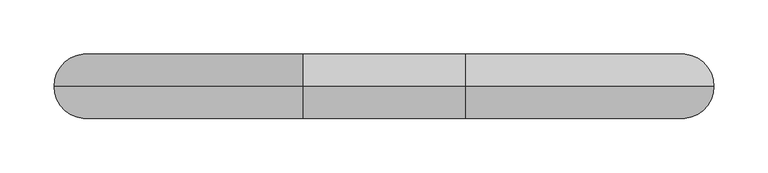
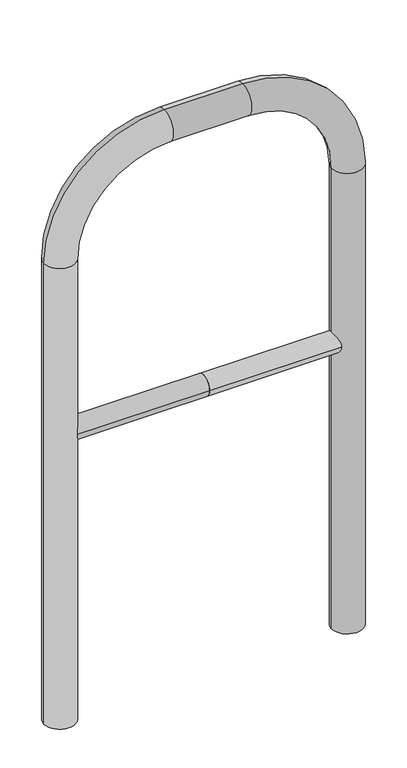
"""IFC4 building model written with IfcOpenShell, lengths in millimetres: proxy geometry."""

from ifc_helpers import new_model, si_unit, point, frame, frame_2d, origin, place, context, project, spatial, circle_curve, ellipse_curve, trimmed, segment, composite_curve, outline, extrude, source, transform, mapped, element, save
from ifc_brep_helpers import plane_surface, cylinder_surface, revolved_surface, advanced_brep


def generic_models_6b1e03ed(model_context):
    return source(origin(), model_context, "Body", "SolidModel", [
        extrude(outline(composite_curve([segment(trimmed(circle_curve(frame_2d((0.0, 498.4778375)), 20.0), [point((-20.0, 498.4778375))], [point((20.0, 498.4778375))], False, "CARTESIAN"), True, "CONTINUOUS"), segment(trimmed(circle_curve(frame_2d((0.0, 498.4778375)), 20.0), [point((20.0, 498.4778375))], [point((-20.0, 498.4778375))], False, "CARTESIAN"), True, "CONTINUOUS")], self_intersect=False)), frame((-275.0, 0.0, 0.0), z_axis=(1.0, 0.0, 0.0), x_axis=(0.0, 1.0, 0.0)), (0.0, 0.0, 1.0), 275.0),
        extrude(outline(composite_curve([segment(trimmed(circle_curve(frame_2d((0.0, 498.4778375)), 20.0), [point((-20.0, 498.4778375))], [point((20.0, 498.4778375))], False, "CARTESIAN"), True, "CONTINUOUS"), segment(trimmed(circle_curve(frame_2d((0.0, 498.4778375)), 20.0), [point((20.0, 498.4778375))], [point((-20.0, 498.4778375))], False, "CARTESIAN"), True, "CONTINUOUS")], self_intersect=False)), frame((0.0, 0.0, 0.0), z_axis=(1.0, 0.0, 0.0), x_axis=(0.0, 1.0, 0.0)), (0.0, 0.0, 1.0), 275.0),
        advanced_brep(
        [(-245.0, 0.0, -80.0), (-305.0, 0.0, -80.0), (-245.0, 0.0, 850.0), (-305.0, 0.0, 850.0), (-75.0, 0.0, 1080.0), (-75.0, 0.0, 1020.0), (75.0, 0.0, 1020.0), (75.0, 0.0, 1080.0), (305.0, 0.0, 850.0), (245.0, 0.0, 850.0), (245.0, 0.0, -80.0), (305.0, 0.0, -80.0)],
        [
            (0, 1, circle_curve(frame((-275.0, 0.0, -80.0), z_axis=(0.0, 0.0, -1.0), x_axis=(-1.0, 0.0, 0.0)), 30.0)),
            (1, 0, circle_curve(frame((-275.0, 0.0, -80.0), z_axis=(0.0, 0.0, -1.0), x_axis=(-1.0, 0.0, 0.0)), 30.0)),
            (0, 2),
            (2, 3, circle_curve(frame((-275.0, 0.0, 850.0), z_axis=(0.0, 0.0, -1.0), x_axis=(-1.0, 0.0, 0.0)), 30.0)),
            (3, 1),
            (3, 2, circle_curve(frame((-275.0, 0.0, 850.0), z_axis=(0.0, 0.0, -1.0), x_axis=(-1.0, 0.0, 0.0)), 30.0)),
            (4, 3, circle_curve(frame((-75.0, 0.0, 850.0), z_axis=(0.0, -1.0, 0.0), x_axis=(-1.0, 0.0, 0.0)), 230.0)),
            (2, 5, circle_curve(frame((-75.0, 0.0, 850.0), z_axis=(0.0, 1.0, 0.0), x_axis=(-1.0, 0.0, 0.0)), 170.0)),
            (5, 4, circle_curve(frame((-75.0, 0.0, 1050.0), z_axis=(-1.0, 0.0, 0.0), x_axis=(0.0, 0.0, 1.0)), 30.0)),
            (4, 5, circle_curve(frame((-75.0, 0.0, 1050.0), z_axis=(-1.0, 0.0, 0.0), x_axis=(0.0, 0.0, 1.0)), 30.0)),
            (5, 6),
            (6, 7, circle_curve(frame((75.0, 0.0, 1050.0), z_axis=(-1.0, 0.0, 0.0), x_axis=(0.0, 0.0, 1.0)), 30.0)),
            (7, 4),
            (7, 6, circle_curve(frame((75.0, 0.0, 1050.0), z_axis=(-1.0, 0.0, 0.0), x_axis=(0.0, 0.0, 1.0)), 30.0)),
            (8, 7, circle_curve(frame((75.0, 0.0, 850.0), z_axis=(0.0, -1.0, 0.0), x_axis=(0.0, 0.0, 1.0)), 230.0)),
            (6, 9, circle_curve(frame((75.0, 0.0, 850.0), z_axis=(0.0, 1.0, 0.0), x_axis=(0.0, 0.0, 1.0)), 170.0)),
            (9, 8, circle_curve(frame((275.0, 0.0, 850.0), z_axis=(0.0, 0.0, 1.0), x_axis=(1.0, 0.0, 0.0)), 30.0)),
            (8, 9, circle_curve(frame((275.0, 0.0, 850.0), z_axis=(0.0, 0.0, 1.0), x_axis=(1.0, 0.0, 0.0)), 30.0)),
            (10, 11, circle_curve(frame((275.0, 0.0, -80.0), z_axis=(0.0, 0.0, -1.0), x_axis=(1.0, 0.0, 0.0)), 30.0)),
            (11, 10, circle_curve(frame((275.0, 0.0, -80.0), z_axis=(0.0, 0.0, -1.0), x_axis=(1.0, 0.0, 0.0)), 30.0)),
            (9, 10),
            (11, 8),
        ],
        [
            plane_surface(frame((-275.0, 0.0, -80.0), z_axis=(0.0, 0.0, -1.0), x_axis=(0.0, -1.0, 0.0))),
            cylinder_surface(frame((-275.0, 0.0, -80.0), z_axis=(0.0, 0.0, -1.0), x_axis=(-1.0, 0.0, 0.0)), 30.0),
            revolved_surface(trimmed(ellipse_curve(frame((-275.0, 0.0, 850.0), z_axis=(0.0, 0.0, -1.0), x_axis=(-1.0, 0.0, 0.0)), 30.0, 30.0), [point((-245.0, 0.0, 850.0))], [point((-305.0, 0.0, 850.0))], True, "CARTESIAN"), (-75.0, 0.0, 850.0), (0.0, 1.0, 0.0)),
            revolved_surface(trimmed(ellipse_curve(frame((-275.0, 0.0, 850.0), z_axis=(0.0, 0.0, -1.0), x_axis=(-1.0, 0.0, 0.0)), 30.0, 30.0), [point((-305.0, 0.0, 850.0))], [point((-245.0, 0.0, 850.0))], True, "CARTESIAN"), (-75.0, 0.0, 850.0), (0.0, 1.0, 0.0)),
            cylinder_surface(frame((-75.0, 0.0, 1050.0), z_axis=(-1.0, 0.0, 0.0), x_axis=(0.0, 0.0, 1.0)), 30.0),
            revolved_surface(trimmed(ellipse_curve(frame((75.0, 0.0, 1050.0), z_axis=(-1.0, 0.0, 0.0), x_axis=(0.0, 0.0, 1.0)), 30.0, 30.0), [point((75.0, 0.0, 1020.0))], [point((75.0, 0.0, 1080.0))], True, "CARTESIAN"), (75.0, 0.0, 850.0), (0.0, 1.0, 0.0)),
            revolved_surface(trimmed(ellipse_curve(frame((75.0, 0.0, 1050.0), z_axis=(-1.0, 0.0, 0.0), x_axis=(0.0, 0.0, 1.0)), 30.0, 30.0), [point((75.0, 0.0, 1080.0))], [point((75.0, 0.0, 1020.0))], True, "CARTESIAN"), (75.0, 0.0, 850.0), (0.0, 1.0, 0.0)),
            plane_surface(frame((275.0, 0.0, -80.0), z_axis=(0.0, 0.0, -1.0), x_axis=(0.0, -1.0, 0.0))),
            cylinder_surface(frame((275.0, 0.0, 850.0), z_axis=(0.0, 0.0, 1.0), x_axis=(1.0, 0.0, 0.0)), 30.0),
        ],
        [
            (0, [[1, 2]]),
            (1, [[-1, 3, 4, 5]]),
            (1, [[-2, -5, 6, -3]]),
            (2, [[7, -4, 8, 9]]),
            (3, [[-8, -6, -7, 10]]),
            (4, [[-9, 11, 12, 13]]),
            (4, [[-10, -13, 14, -11]]),
            (5, [[15, -12, 16, 17]]),
            (6, [[-16, -14, -15, 18]]),
            (7, [[19, 20]]),
            (8, [[-17, 21, -20, 22]]),
            (8, [[-18, -22, -19, -21]]),
        ],
    ),
    ])


if __name__ == "__main__":
    model = new_model("IFC4")
    model_context = context("Model", 3, world=origin())
    ifc_project = project(units=[si_unit("LENGTHUNIT", "METRE", prefix="MILLI")], contexts=[model_context])
    site = spatial("IfcSite", under=ifc_project)
    building = spatial("IfcBuilding", under=site)
    placement = place(None, origin())
    generic_models_shape = generic_models_6b1e03ed(model_context)
    element("IfcBuildingElementProxy", 1, Name="Generic Models", at=placement, inside=building, context=model_context, shape_type="MappedRepresentation", body=[
        mapped(generic_models_shape, transform((0.0, 0.0, 0.0), x_axis=(1.0, 0.0, 0.0), y_axis=(0.0, 1.0, 0.0), z_axis=(0.0, 0.0, 1.0))),
    ])
    save(model, "model.ifc")
